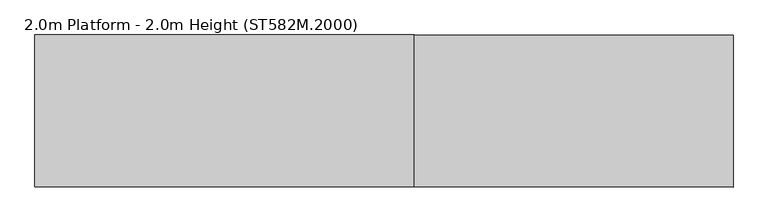
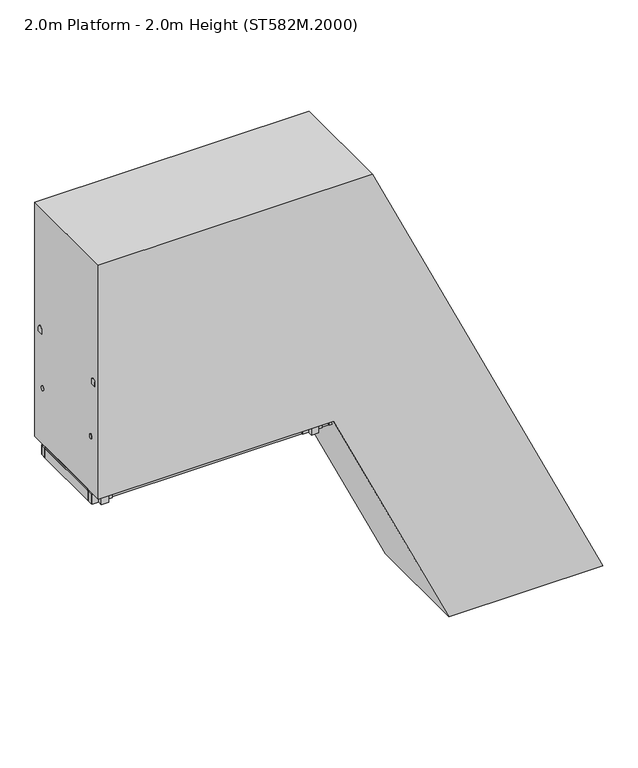
"""IFC4 building model written with IfcOpenShell, lengths in millimetres: proxy geometry, 2.0m Platform - 2.0m Height (ST582M.2000)."""

from ifc_helpers import new_model, si_unit, point, frame, frame_2d, origin, origin_with_axes, place, context, project, spatial, polyline, circle_curve, ellipse_curve, trimmed, segment, composite_curve, outline, extrude, source, transform, mapped, element, save
from ifc_brep_helpers import plane_surface, cylinder_surface, advanced_brep


def proxy_2_0m_platform_2_0m_height_st582m_2000_f6038834(model_context):
    return source(origin(), model_context, "Body", "SolidModel", [
        extrude(outline(polyline([(1750.0, -287.4233008), (1670.0, -250.1186932), (1670.0, -139.7808961), (1750.0, -177.0855087), (1750.0, -287.4233008)])), frame((0.0, 298.5, 0.0), z_axis=(0.0, 1.0, 0.0), x_axis=(0.0, 0.0, 1.0)), (0.0, 0.0, 1.0), 6.0),
        extrude(outline(polyline([(1750.0, -287.4233008), (1670.0, -250.1186932), (1670.0, -139.7808961), (1750.0, -177.0855087), (1750.0, -287.4233008)])), frame((0.0, -304.5, 0.0), z_axis=(0.0, 1.0, 0.0), x_axis=(0.0, 0.0, 1.0)), (0.0, 0.0, 1.0), 6.0),
        extrude(outline(polyline([(1750.0, -280.2513445), (1712.0999991, -262.5782862), (1712.0999991, -260.3715304), (1747.0, -276.6456659), (1747.0, -177.8933416), (1712.0999991, -161.6192039), (1712.0999991, -159.4124481), (1750.0, -177.0855087), (1750.0, -197.5132499), (1749.2749538, -197.8513445), (1750.0, -198.189439), (1750.0, -218.1132499), (1749.2749538, -218.4513445), (1750.0, -218.789439), (1750.0, -238.7132499), (1749.2749538, -239.0513445), (1750.0, -239.389439), (1750.0, -259.3132499), (1749.2749538, -259.6513445), (1750.0, -259.989439), (1750.0, -280.2513445)])), frame((0.0, -298.5, 0.0), z_axis=(0.0, 1.0, 0.0), x_axis=(0.0, 0.0, 1.0)), (0.0, 0.0, 1.0), 597.0),
        extrude(outline(polyline([(1500.0, -170.8418133), (1420.0, -133.5372057), (1420.0, -23.1994087), (1500.0, -60.5040213), (1500.0, -170.8418133)])), frame((0.0, 298.5, 0.0), z_axis=(0.0, 1.0, 0.0), x_axis=(0.0, 0.0, 1.0)), (0.0, 0.0, 1.0), 6.0),
        extrude(outline(polyline([(1500.0, -170.8418133), (1420.0, -133.5372057), (1420.0, -23.1994087), (1500.0, -60.5040213), (1500.0, -170.8418133)])), frame((0.0, -304.5, 0.0), z_axis=(0.0, 1.0, 0.0), x_axis=(0.0, 0.0, 1.0)), (0.0, 0.0, 1.0), 6.0),
        extrude(outline(polyline([(1500.0, -163.669857), (1462.0999991, -145.9967988), (1462.0999991, -143.790043), (1497.0, -160.0641785), (1497.0, -61.3118542), (1462.0999991, -45.0377165), (1462.0999991, -42.8309607), (1500.0, -60.5040213), (1500.0, -80.9317625), (1499.2749538, -81.269857), (1500.0, -81.6079516), (1500.0, -101.5317625), (1499.2749538, -101.869857), (1500.0, -102.2079516), (1500.0, -122.1317625), (1499.2749538, -122.469857), (1500.0, -122.8079516), (1500.0, -142.7317625), (1499.2749538, -143.069857), (1500.0, -143.4079516), (1500.0, -163.669857)])), frame((0.0, -298.5, 0.0), z_axis=(0.0, 1.0, 0.0), x_axis=(0.0, 0.0, 1.0)), (0.0, 0.0, 1.0), 597.0),
        extrude(outline(polyline([(1250.0, -54.2603259), (1170.0, -16.9557183), (1170.0, 93.3820788), (1250.0, 56.0774661), (1250.0, -54.2603259)])), frame((0.0, 298.5, 0.0), z_axis=(0.0, 1.0, 0.0), x_axis=(0.0, 0.0, 1.0)), (0.0, 0.0, 1.0), 6.0),
        extrude(outline(polyline([(1250.0, -54.2603259), (1170.0, -16.9557183), (1170.0, 93.3820788), (1250.0, 56.0774661), (1250.0, -54.2603259)])), frame((0.0, -304.5, 0.0), z_axis=(0.0, 1.0, 0.0), x_axis=(0.0, 0.0, 1.0)), (0.0, 0.0, 1.0), 6.0),
        extrude(outline(polyline([(1250.0, -47.0883696), (1212.0999991, -29.4153114), (1212.0999991, -27.2085556), (1247.0, -43.482691), (1247.0, 55.2696333), (1212.0999991, 71.5437709), (1212.0999991, 73.7505268), (1250.0, 56.0774661), (1250.0, 35.649725), (1249.2749538, 35.3116304), (1250.0, 34.9735358), (1250.0, 15.049725), (1249.2749538, 14.7116304), (1250.0, 14.3735358), (1250.0, -5.550275), (1249.2749538, -5.8883696), (1250.0, -6.2264642), (1250.0, -26.150275), (1249.2749538, -26.4883696), (1250.0, -26.8264642), (1250.0, -47.0883696)])), frame((0.0, -298.5, 0.0), z_axis=(0.0, 1.0, 0.0), x_axis=(0.0, 0.0, 1.0)), (0.0, 0.0, 1.0), 597.0),
        extrude(outline(polyline([(1000.0, 62.3211615), (920.0, 99.6257691), (920.0, 209.9635662), (1000.0, 172.6589535), (1000.0, 62.3211615)])), frame((0.0, 298.5, 0.0), z_axis=(0.0, 1.0, 0.0), x_axis=(0.0, 0.0, 1.0)), (0.0, 0.0, 1.0), 6.0),
        extrude(outline(polyline([(1000.0, 62.3211615), (920.0, 99.6257691), (920.0, 209.9635662), (1000.0, 172.6589535), (1000.0, 62.3211615)])), frame((0.0, -304.5, 0.0), z_axis=(0.0, 1.0, 0.0), x_axis=(0.0, 0.0, 1.0)), (0.0, 0.0, 1.0), 6.0),
        extrude(outline(polyline([(1000.0, 69.4931178), (962.0999991, 87.1661761), (962.0999991, 89.3729319), (997.0, 73.0987964), (997.0, 171.8511207), (962.0999991, 188.1252584), (962.0999991, 190.3320142), (1000.0, 172.6589535), (1000.0, 152.2312124), (999.2749538, 151.8931178), (1000.0, 151.5550233), (1000.0, 131.6312124), (999.2749538, 131.2931178), (1000.0, 130.9550233), (1000.0, 111.0312124), (999.2749538, 110.6931178), (1000.0, 110.3550233), (1000.0, 90.4312124), (999.2749538, 90.0931178), (1000.0, 89.7550233), (1000.0, 69.4931178)])), frame((0.0, -298.5, 0.0), z_axis=(0.0, 1.0, 0.0), x_axis=(0.0, 0.0, 1.0)), (0.0, 0.0, 1.0), 597.0),
        extrude(outline(polyline([(750.0, 178.902649), (670.0, 216.2072566), (670.0, 326.5450536), (750.0, 289.240441), (750.0, 178.902649)])), frame((0.0, 298.5, 0.0), z_axis=(0.0, 1.0, 0.0), x_axis=(0.0, 0.0, 1.0)), (0.0, 0.0, 1.0), 6.0),
        extrude(outline(polyline([(750.0, 178.902649), (670.0, 216.2072566), (670.0, 326.5450536), (750.0, 289.240441), (750.0, 178.902649)])), frame((0.0, -304.5, 0.0), z_axis=(0.0, 1.0, 0.0), x_axis=(0.0, 0.0, 1.0)), (0.0, 0.0, 1.0), 6.0),
        extrude(outline(polyline([(750.0, 186.0746053), (712.0999991, 203.7476635), (712.0999991, 205.9544193), (747.0, 189.6802838), (747.0, 288.4326081), (712.0999991, 304.7067458), (712.0999991, 306.9135016), (750.0, 289.240441), (750.0, 268.8126998), (749.2749538, 268.4746053), (750.0, 268.1365107), (750.0, 248.2126998), (749.2749538, 247.8746053), (750.0, 247.5365107), (750.0, 227.6126998), (749.2749538, 227.2746053), (750.0, 226.9365107), (750.0, 207.0126998), (749.2749538, 206.6746053), (750.0, 206.3365107), (750.0, 186.0746053)])), frame((0.0, -298.5, 0.0), z_axis=(0.0, 1.0, 0.0), x_axis=(0.0, 0.0, 1.0)), (0.0, 0.0, 1.0), 597.0),
        extrude(outline(polyline([(500.0, 295.4841364), (420.0, 332.788744), (420.0, 443.1265411), (500.0, 405.8219284), (500.0, 295.4841364)])), frame((0.0, 298.5, 0.0), z_axis=(0.0, 1.0, 0.0), x_axis=(0.0, 0.0, 1.0)), (0.0, 0.0, 1.0), 6.0),
        extrude(outline(polyline([(500.0, 295.4841364), (420.0, 332.788744), (420.0, 443.1265411), (500.0, 405.8219284), (500.0, 295.4841364)])), frame((0.0, -304.5, 0.0), z_axis=(0.0, 1.0, 0.0), x_axis=(0.0, 0.0, 1.0)), (0.0, 0.0, 1.0), 6.0),
        extrude(outline(polyline([(500.0, 302.6560927), (462.0999991, 320.3291509), (462.0999991, 322.5359067), (497.0, 306.2617713), (497.0, 405.0140955), (462.0999991, 421.2882332), (462.0999991, 423.494989), (500.0, 405.8219284), (500.0, 385.3941873), (499.2749538, 385.0560927), (500.0, 384.7179981), (500.0, 364.7941873), (499.2749538, 364.4560927), (500.0, 364.1179981), (500.0, 344.1941873), (499.2749538, 343.8560927), (500.0, 343.5179981), (500.0, 323.5941873), (499.2749538, 323.2560927), (500.0, 322.9179981), (500.0, 302.6560927)])), frame((0.0, -298.5, 0.0), z_axis=(0.0, 1.0, 0.0), x_axis=(0.0, 0.0, 1.0)), (0.0, 0.0, 1.0), 597.0),
        extrude(outline(polyline([(-0.0541093, 0.0), (0.7582532, 5.9447512), (185.4590013, 5.9447512), (254.8144324, -3.5328109), (254.0020699, -9.4775622), (184.6466388, 0.0), (-0.0541093, 0.0)])), frame((330.049517, 375.0, 1079.9787499), z_axis=(-0.4226302122585338, 0.0, 0.9063022143227427), x_axis=(-0.8979568675708122, -0.13539374535780632, -0.4187385791880187)), (0.0, 0.0, 1.0), 80.0),
        extrude(outline(polyline([(-0.0541093, 0.0), (0.7582532, 5.9447512), (185.4590013, 5.9447512), (254.8144324, -3.5328109), (254.0020699, -9.4775622), (184.6466388, 0.0), (-0.0541093, 0.0)])), frame((-31.182055, 375.0, 1854.6156879), z_axis=(-0.4226302122585338, 0.0, 0.9063022143227427), x_axis=(-0.8979568675708122, -0.13539374535780632, -0.4187385791880187)), (0.0, 0.0, 1.0), 80.0),
        extrude(outline(polyline([(0.0, 32.0), (2.9999999, 32.0), (2.9999999, 0.0), (0.0, 0.0), (0.0, 32.0)])), frame((345.4959178, 388.0, 1054.0802317), z_axis=(-0.4226302122585338, 0.0, 0.9063022143227427), x_axis=(-0.9063022143227427, 0.0, -0.4226302122585338)), (0.0, 0.0, 1.0), 140.0),
        extrude(outline(polyline([(0.0, 32.0), (2.9999999, 32.0), (2.9999999, 0.0), (0.0, 0.0), (0.0, 32.0)])), frame((-15.7356542, 388.0, 1828.7171697), z_axis=(-0.4226302122585338, 0.0, 0.9063022143227427), x_axis=(-0.9063022143227427, 0.0, -0.4226302122585338)), (0.0, 0.0, 1.0), 140.0),
        extrude(outline(composite_curve([segment(trimmed(circle_curve(frame_2d((0.0, 14.1894039)), 22.4521533), [point((-17.4, 0.0))], [point((17.4, 0.0))], False, "CARTESIAN"), True, "CONTINUOUS"), segment(polyline([(17.4, 0.0), (-17.4, 0.0)]), True, "CONTINUOUS")], self_intersect=False)), frame((417.3430539, 372.0, 900.0088553), z_axis=(-0.4226302122585338, 0.0, 0.9063022143227427), x_axis=(0.0, -1.0, 0.0)), (0.0, 0.0, 1.0), 2184.7225481),
        extrude(outline(polyline([(-0.0541093, 0.0), (184.6466389, 0.0), (254.0020699, 9.4775622), (254.8144324, 3.5328109), (185.4590014, -5.9447512), (0.7582532, -5.9447512), (-0.0541093, 0.0)])), frame((330.0484158, -375.0, 1079.9811116), z_axis=(-0.4226302122585338, 0.0, 0.9063022143227427), x_axis=(-0.8979568675708122, 0.13539374535780632, -0.4187385791880187)), (0.0, 0.0, 1.0), 80.0),
        extrude(outline(polyline([(-0.0541093, 0.0), (184.6466388, 0.0), (254.0020699, 9.4775622), (254.8144324, 3.5328109), (185.4590013, -5.9447512), (0.7582532, -5.9447512), (-0.0541093, 0.0)])), frame((-31.1831562, -375.0, 1854.6180497), z_axis=(-0.4226302122585338, 0.0, 0.9063022143227427), x_axis=(-0.8979568675708122, 0.13539374535780632, -0.4187385791880187)), (0.0, 0.0, 1.0), 80.0),
        extrude(outline(polyline([(0.0, -32.0), (0.0, 0.0), (3.0, 0.0), (3.0, -32.0), (0.0, -32.0)])), frame((345.4948166, -388.0, 1054.0825935), z_axis=(-0.4226302122585338, 0.0, 0.9063022143227427), x_axis=(-0.9063022143227427, 0.0, -0.4226302122585338)), (0.0, 0.0, 1.0), 140.0),
        extrude(outline(polyline([(0.0, -32.0), (0.0, 0.0), (2.9999999, 0.0), (2.9999999, -32.0), (0.0, -32.0)])), frame((-15.7367554, -388.0, 1828.7195315), z_axis=(-0.4226302122585338, 0.0, 0.9063022143227427), x_axis=(-0.9063022143227427, 0.0, -0.4226302122585338)), (0.0, 0.0, 1.0), 140.0),
        extrude(outline(composite_curve([segment(polyline([(-17.4, 0.0), (17.4, 0.0)]), True, "CONTINUOUS"), segment(trimmed(circle_curve(frame_2d((0.0, -14.1894039)), 22.4521533), [point((17.4, 0.0))], [point((-17.4, 0.0))], False, "CARTESIAN"), True, "CONTINUOUS")], self_intersect=False)), frame((417.3419527, -372.0, 900.0112171), z_axis=(-0.4226302122585338, 0.0, 0.9063022143227427), x_axis=(0.0, 1.0, 0.0)), (0.0, 0.0, 1.0), 2184.7225481),
        extrude(outline(polyline([(2000.0, -404.0047882), (1920.0, -366.7001806), (1920.0, -256.3623835), (2000.0, -293.6669962), (2000.0, -404.0047882)])), frame((0.0, 298.5, 0.0), z_axis=(0.0, 1.0, 0.0), x_axis=(0.0, 0.0, 1.0)), (0.0, 0.0, 1.0), 6.0),
        extrude(outline(polyline([(2000.0, -404.0047882), (1920.0, -366.7001806), (1920.0, -256.3623835), (2000.0, -293.6669962), (2000.0, -404.0047882)])), frame((0.0, -304.5, 0.0), z_axis=(0.0, 1.0, 0.0), x_axis=(0.0, 0.0, 1.0)), (0.0, 0.0, 1.0), 6.0),
        extrude(outline(polyline([(2000.0, -396.8328319), (1962.0999991, -379.1597736), (1962.0999991, -376.9530179), (1997.0, -393.2271533), (1997.0, -294.474829), (1962.0999991, -278.2006914), (1962.0999991, -275.9939355), (2000.0, -293.6669962), (2000.0, -314.0947373), (1999.2749538, -314.4328319), (2000.0, -314.7709265), (2000.0, -334.6947373), (1999.2749538, -335.0328319), (2000.0, -335.3709265), (2000.0, -355.2947373), (1999.2749538, -355.6328319), (2000.0, -355.9709265), (2000.0, -375.8947373), (1999.2749538, -376.2328319), (2000.0, -376.5709265), (2000.0, -396.8328319)])), frame((0.0, -298.5, 0.0), z_axis=(0.0, 1.0, 0.0), x_axis=(0.0, 0.0, 1.0)), (0.0, 0.0, 1.0), 597.0),
        extrude(outline(polyline([(250.0, 412.0656238), (170.0, 449.3702314), (170.0, 559.7080285), (250.0, 522.4034158), (250.0, 412.0656238)])), frame((0.0, 298.5, 0.0), z_axis=(0.0, 1.0, 0.0), x_axis=(0.0, 0.0, 1.0)), (0.0, 0.0, 1.0), 6.0),
        extrude(outline(polyline([(250.0, 412.0656238), (170.0, 449.3702314), (170.0, 559.7080285), (250.0, 522.4034158), (250.0, 412.0656238)])), frame((0.0, -304.5, 0.0), z_axis=(0.0, 1.0, 0.0), x_axis=(0.0, 0.0, 1.0)), (0.0, 0.0, 1.0), 6.0),
        extrude(outline(polyline([(250.0, 419.2375801), (212.0999991, 436.9106384), (212.0999991, 439.1173941), (247.0, 422.8432587), (247.0, 521.595583), (212.0999991, 537.8697206), (212.0999991, 540.0764765), (250.0, 522.4034158), (250.0, 501.9756747), (249.2749538, 501.6375801), (250.0, 501.2994855), (250.0, 481.3756747), (249.2749538, 481.0375801), (250.0, 480.6994855), (250.0, 460.7756747), (249.2749538, 460.4375801), (250.0, 460.0994855), (250.0, 440.1756747), (249.2749538, 439.8375801), (250.0, 439.4994855), (250.0, 419.2375801)])), frame((0.0, -298.5, 0.0), z_axis=(0.0, 1.0, 0.0), x_axis=(0.0, 0.0, 1.0)), (0.0, 0.0, 1.0), 597.0),
        extrude(outline(polyline([(-396.8328319, -304.5), (-434.8328319, -304.5), (-434.8328319, 304.5), (-396.8328319, 304.5), (-396.8328319, -304.5)])), frame((0.0, 0.0, 1901.0), z_axis=(0.0, 0.0, 1.0), x_axis=(1.0, 0.0, 0.0)), (0.0, 0.0, 1.0), 80.0),
        extrude(outline(polyline([(-1866.8328319, -304.5), (-1904.8328319, -304.5), (-1904.8328319, 304.5), (-1866.8328319, 304.5), (-1866.8328319, -304.5)])), frame((0.0, 0.0, 1923.0), z_axis=(0.0, 0.0, 1.0), x_axis=(1.0, 0.0, 0.0)), (0.0, 0.0, 1.0), 58.0),
        extrude(outline(polyline([(-1376.8328319, -304.5), (-1414.8328319, -304.5), (-1414.8328319, 304.5), (-1376.8328319, 304.5), (-1376.8328319, -304.5)])), frame((0.0, 0.0, 1923.0), z_axis=(0.0, 0.0, 1.0), x_axis=(1.0, 0.0, 0.0)), (0.0, 0.0, 1.0), 58.0),
        extrude(outline(polyline([(-886.8328319, -304.5), (-924.8328319, -304.5), (-924.8328319, 304.5), (-886.8328319, 304.5), (-886.8328319, -304.5)])), frame((0.0, 0.0, 1923.0), z_axis=(0.0, 0.0, 1.0), x_axis=(1.0, 0.0, 0.0)), (0.0, 0.0, 1.0), 58.0),
        extrude(outline(composite_curve([segment(polyline([(353.0, 2478.0), (353.0, 2468.0)]), True, "CONTINUOUS"), segment(trimmed(circle_curve(frame_2d((338.0, 2468.0)), 15.0), [point((353.0, 2468.0))], [point((323.0, 2468.0))], False, "CARTESIAN"), True, "CONTINUOUS"), segment(polyline([(323.0, 2468.0), (323.0, 2478.0)]), True, "CONTINUOUS"), segment(trimmed(circle_curve(frame_2d((338.0, 2478.0)), 15.0), [point((323.0, 2478.0))], [point((353.0, 2478.0))], False, "CARTESIAN"), True, "CONTINUOUS")], self_intersect=False)), frame((-2396.8328319, 0.0, 0.0), z_axis=(1.0, 0.0, 0.0), x_axis=(0.0, 1.0, 0.0)), (0.0, 0.0, 1.0), 1985.0),
        extrude(outline(composite_curve([segment(trimmed(circle_curve(frame_2d((-338.0, 2478.0)), 15.0), [point((-353.0, 2478.0))], [point((-323.0, 2478.0))], False, "CARTESIAN"), True, "CONTINUOUS"), segment(polyline([(-323.0, 2478.0), (-323.0, 2468.0)]), True, "CONTINUOUS"), segment(trimmed(circle_curve(frame_2d((-338.0, 2468.0)), 15.0), [point((-323.0, 2468.0))], [point((-353.0, 2468.0))], False, "CARTESIAN"), True, "CONTINUOUS"), segment(polyline([(-353.0, 2468.0), (-353.0, 2478.0)]), True, "CONTINUOUS")], self_intersect=False)), frame((-2396.8328319, 0.0, 0.0), z_axis=(1.0, 0.0, 0.0), x_axis=(0.0, 1.0, 0.0)), (0.0, 0.0, 1.0), 1985.0),
        extrude(outline(polyline([(-692.8328319, 353.0), (-532.8328319, 353.0), (-532.8328319, 343.0), (-692.8328319, 343.0), (-692.8328319, 353.0)])), frame((0.0, 0.0, 1901.0), z_axis=(0.0, 0.0, 1.0), x_axis=(1.0, 0.0, 0.0)), (0.0, 0.0, 1.0), 80.0),
        extrude(outline(polyline([(-692.8328319, -343.0), (-532.8328319, -343.0), (-532.8328319, -353.0), (-692.8328319, -353.0), (-692.8328319, -343.0)])), frame((0.0, 0.0, 1901.0), z_axis=(0.0, 0.0, 1.0), x_axis=(1.0, 0.0, 0.0)), (0.0, 0.0, 1.0), 80.0),
        extrude(outline(polyline([(-583.8328319, 391.0), (-583.8328319, 353.0), (-641.8328319, 353.0), (-641.8328319, 391.0), (-583.8328319, 391.0)])), frame((0.0, 0.0, 1901.0), z_axis=(0.0, 0.0, 1.0), x_axis=(1.0, 0.0, 0.0)), (0.0, 0.0, 1.0), 1029.0),
        extrude(outline(polyline([(-583.8328319, -353.0), (-583.8328319, -391.0), (-641.8328319, -391.0), (-641.8328319, -353.0), (-583.8328319, -353.0)])), frame((0.0, 0.0, 1901.0), z_axis=(0.0, 0.0, 1.0), x_axis=(1.0, 0.0, 0.0)), (0.0, 0.0, 1.0), 1029.0),
        advanced_brep(
        [(-556.8328319, 372.0, 2942.0), (-556.8328319, 372.0, 2987.0), (-544.1016939, 372.0, 2942.0), (-515.4337404, 372.0, 2987.0), (-513.5569732, 372.0, 2876.4977609), (-472.773248, 372.0, 2895.5158512)],
        [
            (0, 1, circle_curve(frame((-556.8328319, 372.0, 2964.5), z_axis=(-1.0, 0.0, 0.0), x_axis=(0.0, 0.0, 1.0)), 22.5)),
            (1, 0, circle_curve(frame((-556.8328319, 372.0, 2964.5), z_axis=(-1.0, 0.0, 0.0), x_axis=(0.0, 0.0, 1.0)), 22.5)),
            (0, 2),
            (2, 3, ellipse_curve(frame((-529.7677171, 372.0, 2964.5), z_axis=(-0.8433932143583026, 0.0, 0.5372968322765083), x_axis=(-0.5372968322765082, 0.0, -0.8433932143583025)), 26.6779476, 22.5)),
            (3, 1),
            (3, 2, ellipse_curve(frame((-529.7677171, 372.0, 2964.5), z_axis=(-0.8433932143583026, 0.0, 0.5372968322765083), x_axis=(-0.5372968322765082, 0.0, -0.8433932143583025)), 26.6779476, 22.5)),
            (4, 5, circle_curve(frame((-493.1651106, 372.0, 2886.0068061), z_axis=(0.42262422805125954, 0.0, -0.9063050048764362), x_axis=(0.9063050048764362, 0.0, 0.42262422805125954)), 22.5)),
            (5, 4, circle_curve(frame((-493.1651106, 372.0, 2886.0068061), z_axis=(0.42262422805125954, 0.0, -0.9063050048764362), x_axis=(0.9063050048764362, 0.0, 0.42262422805125954)), 22.5)),
            (2, 4),
            (5, 3),
        ],
        [
            plane_surface(frame((-556.8328319, 0.0, 2987.0), z_axis=(-1.0, 0.0, 0.0), x_axis=(0.0, -1.0, 0.0))),
            cylinder_surface(frame((-556.8328319, 372.0, 2964.5), z_axis=(-1.0, 0.0, 0.0), x_axis=(0.0, 0.0, 1.0)), 22.5),
            plane_surface(frame((-472.773248, 0.0, 2895.5158512), z_axis=(0.42262422805125954, 0.0, -0.9063050048764362), x_axis=(0.0, -1.0, 0.0))),
            cylinder_surface(frame((-535.825603, 372.0, 2977.4909549), z_axis=(-0.42262422805125954, 0.0, 0.9063050048764362), x_axis=(0.9063050048764362, 0.0, 0.42262422805125954)), 22.5),
        ],
        [
            (0, [[1, 2]]),
            (1, [[-1, 3, 4, 5]]),
            (1, [[-2, -5, 6, -3]]),
            (2, [[7, 8]]),
            (3, [[-4, 9, -8, 10]]),
            (3, [[-6, -10, -7, -9]]),
        ],
    ),
        advanced_brep(
        [(-556.8328319, -372.0, 2942.0), (-556.8328319, -372.0, 2987.0), (-544.1016939, -372.0, 2942.0), (-515.4337404, -372.0, 2987.0), (-513.5569732, -372.0, 2876.4977609), (-472.773248, -372.0, 2895.5158512)],
        [
            (0, 1, circle_curve(frame((-556.8328319, -372.0, 2964.5), z_axis=(-1.0, 0.0, 0.0), x_axis=(0.0, 0.0, 1.0)), 22.5)),
            (1, 0, circle_curve(frame((-556.8328319, -372.0, 2964.5), z_axis=(-1.0, 0.0, 0.0), x_axis=(0.0, 0.0, 1.0)), 22.5)),
            (0, 2),
            (2, 3, ellipse_curve(frame((-529.7677171, -372.0, 2964.5), z_axis=(-0.8433932143583026, 0.0, 0.5372968322765083), x_axis=(-0.5372968322765082, 0.0, -0.8433932143583025)), 26.6779476, 22.5)),
            (3, 1),
            (3, 2, ellipse_curve(frame((-529.7677171, -372.0, 2964.5), z_axis=(-0.8433932143583026, 0.0, 0.5372968322765083), x_axis=(-0.5372968322765082, 0.0, -0.8433932143583025)), 26.6779476, 22.5)),
            (4, 5, circle_curve(frame((-493.1651106, -372.0, 2886.0068061), z_axis=(0.42262422805125954, 0.0, -0.9063050048764362), x_axis=(0.9063050048764362, 0.0, 0.42262422805125954)), 22.5)),
            (5, 4, circle_curve(frame((-493.1651106, -372.0, 2886.0068061), z_axis=(0.42262422805125954, 0.0, -0.9063050048764362), x_axis=(0.9063050048764362, 0.0, 0.42262422805125954)), 22.5)),
            (2, 4),
            (5, 3),
        ],
        [
            plane_surface(frame((-556.8328319, 0.0, 2987.0), z_axis=(-1.0, 0.0, 0.0), x_axis=(0.0, -1.0, 0.0))),
            cylinder_surface(frame((-556.8328319, -372.0, 2964.5), z_axis=(-1.0, 0.0, 0.0), x_axis=(0.0, 0.0, 1.0)), 22.5),
            plane_surface(frame((-472.773248, 0.0, 2895.5158512), z_axis=(0.42262422805125954, 0.0, -0.9063050048764362), x_axis=(0.0, -1.0, 0.0))),
            cylinder_surface(frame((-535.825603, -372.0, 2977.4909549), z_axis=(-0.42262422805125954, 0.0, 0.9063050048764362), x_axis=(0.9063050048764362, 0.0, 0.42262422805125954)), 22.5),
        ],
        [
            (0, [[1, 2]]),
            (1, [[-1, 3, 4, 5]]),
            (1, [[-2, -5, 6, -3]]),
            (2, [[7, 8]]),
            (3, [[-4, 9, -8, 10]]),
            (3, [[-6, -10, -7, -9]]),
        ],
    ),
        extrude(outline(polyline([(-2358.8328319, -304.5), (-2396.8328319, -304.5), (-2396.8328319, 304.5), (-2358.8328319, 304.5), (-2358.8328319, -304.5)])), frame((0.0, 0.0, 1901.0), z_axis=(0.0, 0.0, 1.0), x_axis=(1.0, 0.0, 0.0)), (0.0, 0.0, 1.0), 80.0),
        extrude(outline(composite_curve([segment(polyline([(349.5, 2930.0), (349.5, 2964.5)]), True, "CONTINUOUS"), segment(trimmed(circle_curve(frame_2d((372.0, 2964.5)), 22.5), [point((349.5, 2964.5))], [point((394.5, 2964.5))], False, "CARTESIAN"), True, "CONTINUOUS"), segment(polyline([(394.5, 2964.5), (394.5, 2930.0), (349.5, 2930.0)]), True, "CONTINUOUS")], self_intersect=False)), frame((-2396.8328319, 0.0, 0.0), z_axis=(1.0, 0.0, 0.0), x_axis=(0.0, 1.0, 0.0)), (0.0, 0.0, 1.0), 1840.0),
        extrude(outline(composite_curve([segment(polyline([(-349.5, 2930.0), (-394.5, 2930.0), (-394.5, 2964.5)]), True, "CONTINUOUS"), segment(trimmed(circle_curve(frame_2d((-372.0, 2964.5)), 22.5), [point((-394.5, 2964.5))], [point((-349.5, 2964.5))], False, "CARTESIAN"), True, "CONTINUOUS"), segment(polyline([(-349.5, 2964.5), (-349.5, 2930.0)]), True, "CONTINUOUS")], self_intersect=False)), frame((-2396.8328319, 0.0, 0.0), z_axis=(1.0, 0.0, 0.0), x_axis=(0.0, 1.0, 0.0)), (0.0, 0.0, 1.0), 1840.0),
        extrude(outline(polyline([(-2232.8328319, 353.0), (-2232.8328319, 343.0), (-2392.8328319, 343.0), (-2392.8328319, 353.0), (-2232.8328319, 353.0)])), frame((0.0, 0.0, 1901.0), z_axis=(0.0, 0.0, 1.0), x_axis=(1.0, 0.0, 0.0)), (0.0, 0.0, 1.0), 80.0),
        extrude(outline(polyline([(-2232.8328319, -343.0), (-2232.8328319, -353.0), (-2392.8328319, -353.0), (-2392.8328319, -343.0), (-2232.8328319, -343.0)])), frame((0.0, 0.0, 1901.0), z_axis=(0.0, 0.0, 1.0), x_axis=(1.0, 0.0, 0.0)), (0.0, 0.0, 1.0), 80.0),
        extrude(outline(polyline([(-2283.8328319, 391.0), (-2283.8328319, 353.0), (-2341.8328319, 353.0), (-2341.8328319, 391.0), (-2283.8328319, 391.0)])), frame((0.0, 0.0, 1901.0), z_axis=(0.0, 0.0, 1.0), x_axis=(1.0, 0.0, 0.0)), (0.0, 0.0, 1.0), 1029.0),
        extrude(outline(polyline([(-2283.8328319, -353.0), (-2283.8328319, -391.0), (-2341.8328319, -391.0), (-2341.8328319, -353.0), (-2283.8328319, -353.0)])), frame((0.0, 0.0, 1901.0), z_axis=(0.0, 0.0, 1.0), x_axis=(1.0, 0.0, 0.0)), (0.0, 0.0, 1.0), 1029.0),
        extrude(outline(polyline([(-396.8328319, 343.0), (-396.8328319, 304.5), (-2396.8328319, 304.5), (-2396.8328319, 343.0), (-396.8328319, 343.0)])), frame((0.0, 0.0, 1901.0), z_axis=(0.0, 0.0, 1.0), x_axis=(1.0, 0.0, 0.0)), (0.0, 0.0, 1.0), 80.0),
        extrude(outline(polyline([(-396.8328319, -304.5), (-396.8328319, -343.0), (-2396.8328319, -343.0), (-2396.8328319, -304.5), (-396.8328319, -304.5)])), frame((0.0, 0.0, 1901.0), z_axis=(0.0, 0.0, 1.0), x_axis=(1.0, 0.0, 0.0)), (0.0, 0.0, 1.0), 80.0),
        extrude(outline(polyline([(-399.8328319, 297.5), (-399.8328319, -297.5), (-2393.8328319, -297.5), (-2393.8328319, 297.5), (-399.8328319, 297.5)])), frame((0.0, 0.0, 1984.0), z_axis=(0.0, 0.0, 1.0), x_axis=(1.0, 0.0, 0.0)), (0.0, 0.0, 1.0), 13.0),
        extrude(outline(polyline([(2000.0, -414.8328319), (1997.0, -414.8328319), (1997.0, -399.8328319), (1984.0, -399.8328319), (1984.0, -414.8328319), (1981.0, -414.8328319), (1981.0, -396.8328319), (2000.0, -396.8328319), (2000.0, -414.8328319)])), frame((0.0, -297.5, 0.0), z_axis=(0.0, 1.0, 0.0), x_axis=(0.0, 0.0, 1.0)), (0.0, 0.0, 1.0), 595.0),
        extrude(outline(polyline([(2000.0, -2378.8328319), (2000.0, -2396.8328319), (1981.0, -2396.8328319), (1981.0, -2378.8328319), (1984.0, -2378.8328319), (1984.0, -2393.8328319), (1997.0, -2393.8328319), (1997.0, -2378.8328319), (2000.0, -2378.8328319)])), frame((0.0, -297.5, 0.0), z_axis=(0.0, 1.0, 0.0), x_axis=(0.0, 0.0, 1.0)), (0.0, 0.0, 1.0), 595.0),
        extrude(outline(polyline([(1981.0, -287.140843), (1981.0, -476.8328319), (1901.0, -476.8328319), (1901.0, -249.8362303), (1981.0, -287.140843)])), frame((0.0, 344.0, 0.0), z_axis=(0.0, 1.0, 0.0), x_axis=(0.0, 0.0, 1.0)), (0.0, 0.0, 1.0), 6.0),
        extrude(outline(polyline([(1981.0, -284.7751404), (1981.0, -476.8328319), (1901.0, -476.8328319), (1901.0, -247.4705278), (1981.0, -284.7751404)])), frame((0.0, -350.0, 0.0), z_axis=(0.0, 1.0, 0.0), x_axis=(0.0, 0.0, 1.0)), (0.0, 0.0, 1.0), 6.0),
        extrude(outline(polyline([(-304.5, 80.0), (-304.5, 0.0), (-343.0, 0.0), (-343.0, 80.0), (-304.5, 80.0)])), frame((547.9122509, 0.0, 6.0), z_axis=(-0.42261826174069755, 0.0, 0.9063077870366509), x_axis=(0.0, -1.0, 0.0)), (0.0, 0.0, 1.0), 2200.1355704),
        extrude(outline(polyline([(343.0, 80.0), (343.0, 0.0), (304.5, 0.0), (304.5, 80.0), (343.0, 80.0)])), frame((547.9122509, 0.0, 6.0), z_axis=(-0.42261826174069755, 0.0, 0.9063077870366509), x_axis=(0.0, -1.0, 0.0)), (0.0, 0.0, 1.0), 2200.1355704),
        extrude(outline(polyline([(141.9461681, 572.7897452), (108.1367071, 500.2851222), (6.0, 547.9122509), (6.0, 636.1824844), (141.9461681, 572.7897452)])), frame((0.0, 344.0, 0.0), z_axis=(0.0, 1.0, 0.0), x_axis=(0.0, 0.0, 1.0)), (0.0, 0.0, 1.0), 6.0),
        extrude(outline(polyline([(141.9461681, 572.7897452), (108.1367071, 500.2851222), (6.0, 547.9122509), (6.0, 636.1824844), (141.9461681, 572.7897452)])), frame((0.0, -350.0, 0.0), z_axis=(0.0, 1.0, 0.0), x_axis=(0.0, 0.0, 1.0)), (0.0, 0.0, 1.0), 6.0),
        extrude(outline(polyline([(642.0824844, 358.0), (642.0824844, -358.0), (542.0824844, -358.0), (542.0824844, 358.0), (642.0824844, 358.0)])), origin_with_axes(), (0.0, 0.0, 1.0), 6.0),
        extrude(outline(polyline([(2000.0, -493.6660078), (0.0, 438.9814151), (0.0, 1687.1964377), (4000.0, -178.098408), (4000.0, -2396.8328319), (2000.0, -2396.8328319), (2000.0, -493.6660078)])), frame((0.0, -444.5, 0.0), z_axis=(0.0, 1.0, 0.0), x_axis=(0.0, 0.0, 1.0)), (0.0, 0.0, 1.0), 889.0),
    ])


if __name__ == "__main__":
    model = new_model("IFC4")
    model_context = context("Model", 3, world=origin())
    ifc_project = project(units=[si_unit("LENGTHUNIT", "METRE", prefix="MILLI")], contexts=[model_context])
    site = spatial("IfcSite", under=ifc_project)
    building = spatial("IfcBuilding", under=site)
    placement = place(None, origin())
    proxy_2_0m_platform_2_0m_height_st582m_2000_shape = proxy_2_0m_platform_2_0m_height_st582m_2000_f6038834(model_context)
    element("IfcBuildingElementProxy", 1, Name="2.0m Platform - 2.0m Height (ST582M.2000)", ObjectType="2.0m Platform - 2.0m Height (ST582M.2000)", at=placement, inside=building, context=model_context, shape_type="MappedRepresentation", body=[
        mapped(proxy_2_0m_platform_2_0m_height_st582m_2000_shape, transform((0.0, 0.0, 0.0), x_axis=(1.0, 0.0, 0.0), y_axis=(0.0, 1.0, 0.0), z_axis=(0.0, 0.0, 1.0))),
    ])
    save(model, "model.ifc")
